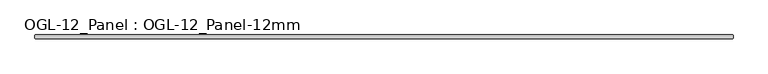
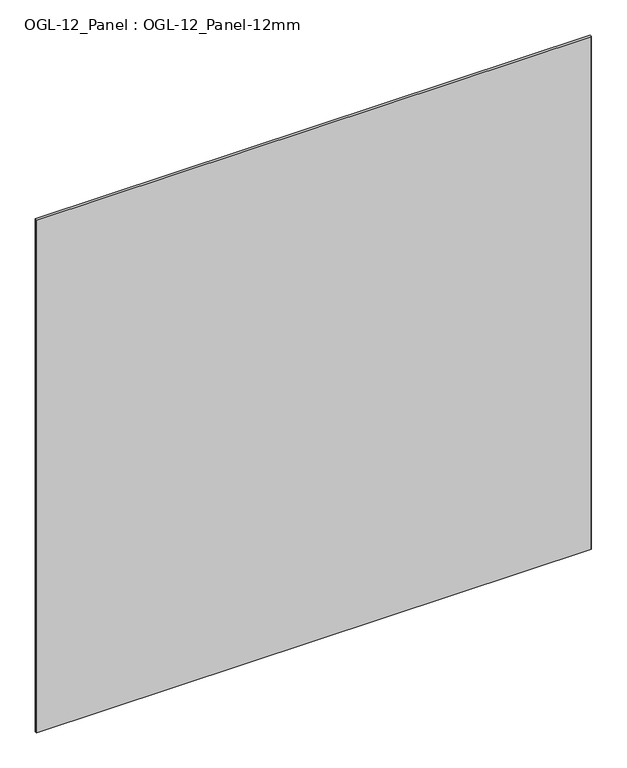
"""IFC4 building model written with IfcOpenShell, lengths in millimetres: plate geometry, OGL-12_Panel : OGL-12_Panel-12mm."""

from ifc_helpers import new_model, si_unit, origin, origin_with_axes, place, context, project, spatial, polyline, outline, extrude, source, transform, mapped, element, save


def ogl_12_panel_ogl_12_panel_12mm_508fc6ba(model_context):
    return source(origin(), model_context, "Body", "SweptSolid", [
        extrude(outline(polyline([(1196.578125, 29.1703125), (1198.165625, 27.5828125), (1198.165625, 18.0578125), (1196.578125, 16.4703125), (-1196.578125, 16.4703125), (-1198.165625, 18.0578125), (-1198.165625, 27.5828125), (-1196.578125, 29.1703125), (1196.578125, 29.1703125)])), origin_with_axes(), (0.0, 0.0, 1.0), 2339.914687),
    ])


if __name__ == "__main__":
    model = new_model("IFC4")
    model_context = context("Model", 3, world=origin())
    ifc_project = project(units=[si_unit("LENGTHUNIT", "METRE", prefix="MILLI")], contexts=[model_context])
    site = spatial("IfcSite", under=ifc_project)
    building = spatial("IfcBuilding", under=site)
    placement = place(None, origin())
    ogl_12_panel_ogl_12_panel_12mm_shape = ogl_12_panel_ogl_12_panel_12mm_508fc6ba(model_context)
    element("IfcPlate", 1, ObjectType="OGL-12_Panel : OGL-12_Panel-12mm", at=placement, inside=building, context=model_context, shape_type="MappedRepresentation", body=[
        mapped(ogl_12_panel_ogl_12_panel_12mm_shape, transform((0.0, 0.0, 0.0), x_axis=(1.0, 0.0, 0.0), y_axis=(0.0, 1.0, 0.0), z_axis=(0.0, 0.0, 1.0))),
    ])
    save(model, "model.ifc")
